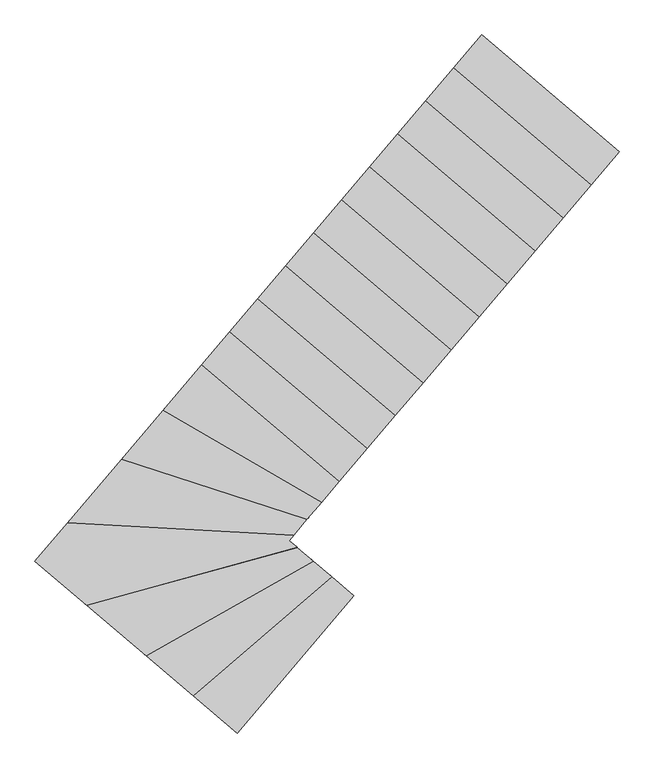
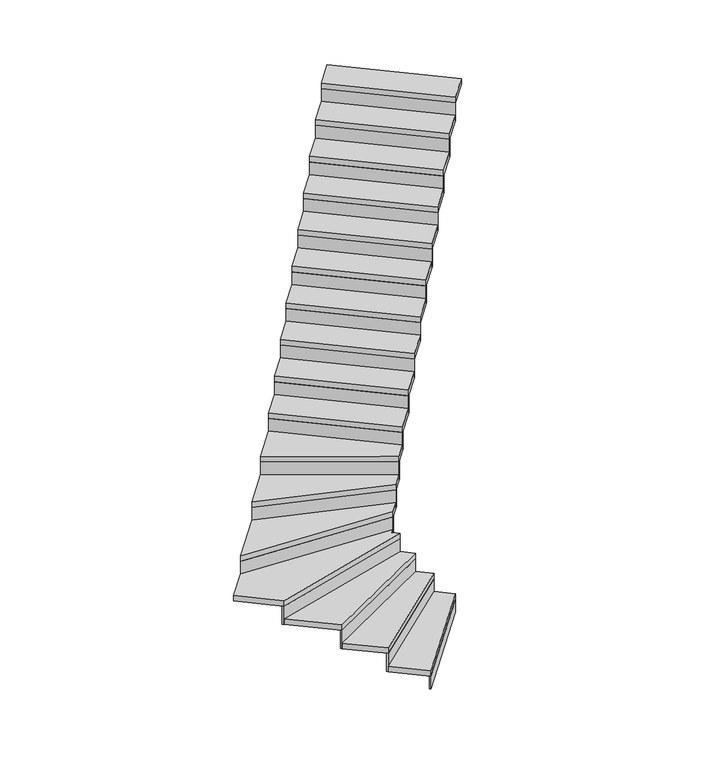
"""IFC4 building model written with IfcOpenShell, lengths in millimetres: stair flight geometry."""

from ifc_helpers import new_model, si_unit, frame, origin, place, context, project, spatial, polyline, outline, extrude, source, transform, mapped, element, save


def stair_flight_42f51d3f(model_context):
    return source(origin(), model_context, "Body", "SweptSolid", [
        extrude(outline(polyline([(12327.0603781, 10416.8361964), (12336.5907593, 10408.7478199), (11689.520642, 9646.3173227), (11679.9902607, 9654.4056991), (12327.0603781, 10416.8361964)])), frame((0.0, 0.0, 16920.0), z_axis=(0.0, 0.0, 1.0), x_axis=(1.0, 0.0, 0.0)), (0.0, 0.0, 1.0), 112.9411765),
        extrude(outline(polyline([(11446.1404066, 9852.8726454), (12214.004356, 10512.7861535), (12336.5907593, 10408.7478199), (11689.520642, 9646.3173227), (11446.1404066, 9852.8726454)])), frame((0.0, 0.0, 17032.9411765), z_axis=(0.0, 0.0, 1.0), x_axis=(1.0, 0.0, 0.0)), (0.0, 0.0, 1.0), 50.0),
        extrude(outline(polyline([(12204.3551056, 10520.9754135), (12214.004356, 10512.7861535), (11446.1404066, 9852.8726454), (11436.4911562, 9861.0619054), (12204.3551056, 10520.9754135)])), frame((0.0, 0.0, 17032.9411765), z_axis=(0.0, 0.0, 1.0), x_axis=(1.0, 0.0, 0.0)), (0.0, 0.0, 1.0), 162.9411765),
        extrude(outline(polyline([(11183.8096146, 10075.5111902), (12110.3356835, 10600.7691241), (12214.004356, 10512.7861535), (11446.1404066, 9852.8726454), (11183.8096146, 10075.5111902)])), frame((0.0, 0.0, 17195.8823529), z_axis=(0.0, 0.0, 1.0), x_axis=(1.0, 0.0, 0.0)), (0.0, 0.0, 1.0), 50.0),
        extrude(outline(polyline([(12100.1852841, 10609.3837063), (12110.3356835, 10600.7691241), (11183.8096146, 10075.5111902), (11173.6592152, 10084.1257723), (12100.1852841, 10609.3837063)])), frame((0.0, 0.0, 17195.8823529), z_axis=(0.0, 0.0, 1.0), x_axis=(1.0, 0.0, 0.0)), (0.0, 0.0, 1.0), 162.9411765),
        extrude(outline(polyline([(10854.5352002, 10354.9643793), (12022.0354759, 10675.7089723), (12110.3356835, 10600.7691241), (11183.8096146, 10075.5111902), (10854.5352002, 10354.9643793)])), frame((0.0, 0.0, 17358.8235294), z_axis=(0.0, 0.0, 1.0), x_axis=(1.0, 0.0, 0.0)), (0.0, 0.0, 1.0), 50.0),
        extrude(outline(polyline([(12010.4964943, 10685.5020357), (12022.0354759, 10675.7089723), (10854.5352002, 10354.9643793), (10842.9962186, 10364.7574427), (12010.4964943, 10685.5020357)])), frame((0.0, 0.0, 17358.8235294), z_axis=(0.0, 0.0, 1.0), x_axis=(1.0, 0.0, 0.0)), (0.0, 0.0, 1.0), 162.9411765),
        extrude(outline(polyline([(10748.1391416, 10812.4928275), (12002.4476645, 10744.993297), (11976.4679321, 10714.3818691), (12022.0354759, 10675.7089723), (10854.5352002, 10354.9643793), (10566.9673175, 10599.0214892), (10748.1391416, 10812.4928275)])), frame((0.0, 0.0, 17521.7647059), z_axis=(0.0, 0.0, 1.0), x_axis=(1.0, 0.0, 0.0)), (0.0, 0.0, 1.0), 50.0),
        extrude(outline(polyline([(12012.6076636, 10756.9646321), (12002.4476645, 10744.993297), (10748.1391416, 10812.4928275), (10758.2991407, 10824.4641626), (12012.6076636, 10756.9646321)])), frame((0.0, 0.0, 17521.7647059), z_axis=(0.0, 0.0, 1.0), x_axis=(1.0, 0.0, 0.0)), (0.0, 0.0, 1.0), 162.9411765),
        extrude(outline(polyline([(11047.7788882, 11165.5526813), (12075.9473388, 10831.596575), (12002.4476645, 10744.993297), (10748.1391416, 10812.4928275), (11047.7788882, 11165.5526813)])), frame((0.0, 0.0, 17684.7058824), z_axis=(0.0, 0.0, 1.0), x_axis=(1.0, 0.0, 0.0)), (0.0, 0.0, 1.0), 50.0),
        extrude(outline(polyline([(12084.6912331, 10841.8993404), (12075.9473388, 10831.596575), (11047.7788882, 11165.5526813), (11056.5227824, 11175.8554467), (12084.6912331, 10841.8993404)])), frame((0.0, 0.0, 17684.7058824), z_axis=(0.0, 0.0, 1.0), x_axis=(1.0, 0.0, 0.0)), (0.0, 0.0, 1.0), 162.9411765),
        extrude(outline(polyline([(11278.2580004, 11437.1218658), (12157.4057097, 10927.5774348), (12075.9473388, 10831.596575), (11047.7788882, 11165.5526813), (11278.2580004, 11437.1218658)])), frame((0.0, 0.0, 17847.6470588), z_axis=(0.0, 0.0, 1.0), x_axis=(1.0, 0.0, 0.0)), (0.0, 0.0, 1.0), 50.0),
        extrude(outline(polyline([(12165.6246155, 10937.2616163), (12157.4057097, 10927.5774348), (11278.2580004, 11437.1218658), (11286.4769062, 11446.8060473), (12165.6246155, 10937.2616163)])), frame((0.0, 0.0, 17847.6470588), z_axis=(0.0, 0.0, 1.0), x_axis=(1.0, 0.0, 0.0)), (0.0, 0.0, 1.0), 162.9411765),
        extrude(outline(polyline([(11491.9134346, 11688.8680283), (12254.3439318, 11041.7979109), (12157.4057097, 10927.5774348), (11278.2580004, 11437.1218658), (11491.9134346, 11688.8680283)])), frame((0.0, 0.0, 18010.5882353), z_axis=(0.0, 0.0, 1.0), x_axis=(1.0, 0.0, 0.0)), (0.0, 0.0, 1.0), 50.0),
        extrude(outline(polyline([(12262.4323083, 11051.3282922), (12254.3439318, 11041.7979109), (11491.9134346, 11688.8680283), (11500.001811, 11698.3984095), (12262.4323083, 11051.3282922)])), frame((0.0, 0.0, 18010.5882353), z_axis=(0.0, 0.0, 1.0), x_axis=(1.0, 0.0, 0.0)), (0.0, 0.0, 1.0), 162.9411765),
        extrude(outline(polyline([(11647.2102627, 11871.8513477), (12409.64076, 11224.7812303), (12254.3439318, 11041.7979109), (11491.9134346, 11688.8680283), (11647.2102627, 11871.8513477)])), frame((0.0, 0.0, 18173.5294118), z_axis=(0.0, 0.0, 1.0), x_axis=(1.0, 0.0, 0.0)), (0.0, 0.0, 1.0), 50.0),
        extrude(outline(polyline([(12417.7291365, 11234.3116115), (12409.64076, 11224.7812303), (11647.2102627, 11871.8513477), (11655.2986392, 11881.3817289), (12417.7291365, 11234.3116115)])), frame((0.0, 0.0, 18173.5294118), z_axis=(0.0, 0.0, 1.0), x_axis=(1.0, 0.0, 0.0)), (0.0, 0.0, 1.0), 162.9411765),
        extrude(outline(polyline([(11802.5070909, 12054.834667), (12564.9375882, 11407.7645496), (12409.64076, 11224.7812303), (11647.2102627, 11871.8513477), (11802.5070909, 12054.834667)])), frame((0.0, 0.0, 18336.4705882), z_axis=(0.0, 0.0, 1.0), x_axis=(1.0, 0.0, 0.0)), (0.0, 0.0, 1.0), 50.0),
        extrude(outline(polyline([(12573.0259646, 11417.2949309), (12564.9375882, 11407.7645496), (11802.5070909, 12054.834667), (11810.5954674, 12064.3650482), (12573.0259646, 11417.2949309)])), frame((0.0, 0.0, 18336.4705882), z_axis=(0.0, 0.0, 1.0), x_axis=(1.0, 0.0, 0.0)), (0.0, 0.0, 1.0), 162.9411765),
        extrude(outline(polyline([(11957.8039191, 12237.8179864), (12720.2344164, 11590.747869), (12564.9375882, 11407.7645496), (11802.5070909, 12054.834667), (11957.8039191, 12237.8179864)])), frame((0.0, 0.0, 18499.4117647), z_axis=(0.0, 0.0, 1.0), x_axis=(1.0, 0.0, 0.0)), (0.0, 0.0, 1.0), 50.0),
        extrude(outline(polyline([(12728.3227928, 11600.2782502), (12720.2344164, 11590.747869), (11957.8039191, 12237.8179864), (11965.8922955, 12247.3483676), (12728.3227928, 11600.2782502)])), frame((0.0, 0.0, 18499.4117647), z_axis=(0.0, 0.0, 1.0), x_axis=(1.0, 0.0, 0.0)), (0.0, 0.0, 1.0), 162.9411765),
        extrude(outline(polyline([(12113.1007472, 12420.8013057), (12875.5312445, 11773.7311883), (12720.2344164, 11590.747869), (11957.8039191, 12237.8179864), (12113.1007472, 12420.8013057)])), frame((0.0, 0.0, 18662.3529412), z_axis=(0.0, 0.0, 1.0), x_axis=(1.0, 0.0, 0.0)), (0.0, 0.0, 1.0), 50.0),
        extrude(outline(polyline([(12883.619621, 11783.2615695), (12875.5312445, 11773.7311883), (12113.1007472, 12420.8013057), (12121.1891237, 12430.3316869), (12883.619621, 11783.2615695)])), frame((0.0, 0.0, 18662.3529412), z_axis=(0.0, 0.0, 1.0), x_axis=(1.0, 0.0, 0.0)), (0.0, 0.0, 1.0), 162.9411765),
        extrude(outline(polyline([(12268.3975754, 12603.7846251), (13030.8280727, 11956.7145077), (12875.5312445, 11773.7311883), (12113.1007472, 12420.8013057), (12268.3975754, 12603.7846251)])), frame((0.0, 0.0, 18825.2941176), z_axis=(0.0, 0.0, 1.0), x_axis=(1.0, 0.0, 0.0)), (0.0, 0.0, 1.0), 50.0),
        extrude(outline(polyline([(13038.9164492, 11966.2448889), (13030.8280727, 11956.7145077), (12268.3975754, 12603.7846251), (12276.4859519, 12613.3150063), (13038.9164492, 11966.2448889)])), frame((0.0, 0.0, 18825.2941176), z_axis=(0.0, 0.0, 1.0), x_axis=(1.0, 0.0, 0.0)), (0.0, 0.0, 1.0), 162.9411765),
        extrude(outline(polyline([(12423.6944036, 12786.7679444), (13186.1249009, 12139.697827), (13030.8280727, 11956.7145077), (12268.3975754, 12603.7846251), (12423.6944036, 12786.7679444)])), frame((0.0, 0.0, 18988.2352941), z_axis=(0.0, 0.0, 1.0), x_axis=(1.0, 0.0, 0.0)), (0.0, 0.0, 1.0), 50.0),
        extrude(outline(polyline([(13194.2132773, 12149.2282082), (13186.1249009, 12139.697827), (12423.6944036, 12786.7679444), (12431.7827801, 12796.2983256), (13194.2132773, 12149.2282082)])), frame((0.0, 0.0, 18988.2352941), z_axis=(0.0, 0.0, 1.0), x_axis=(1.0, 0.0, 0.0)), (0.0, 0.0, 1.0), 162.9411765),
        extrude(outline(polyline([(12578.9912318, 12969.7512638), (13341.421729, 12322.6811464), (13186.1249009, 12139.697827), (12423.6944036, 12786.7679444), (12578.9912318, 12969.7512638)])), frame((0.0, 0.0, 19151.1764706), z_axis=(0.0, 0.0, 1.0), x_axis=(1.0, 0.0, 0.0)), (0.0, 0.0, 1.0), 50.0),
        extrude(outline(polyline([(13349.5101055, 12332.2115276), (13341.421729, 12322.6811464), (12578.9912318, 12969.7512638), (12587.0796082, 12979.281645), (13349.5101055, 12332.2115276)])), frame((0.0, 0.0, 19151.1764706), z_axis=(0.0, 0.0, 1.0), x_axis=(1.0, 0.0, 0.0)), (0.0, 0.0, 1.0), 162.9411765),
        extrude(outline(polyline([(12734.2880599, 13152.7345831), (13496.7185572, 12505.6644657), (13341.421729, 12322.6811464), (12578.9912318, 12969.7512638), (12734.2880599, 13152.7345831)])), frame((0.0, 0.0, 19314.1176471), z_axis=(0.0, 0.0, 1.0), x_axis=(1.0, 0.0, 0.0)), (0.0, 0.0, 1.0), 50.0),
        extrude(outline(polyline([(13504.8069337, 12515.1948469), (13496.7185572, 12505.6644657), (12734.2880599, 13152.7345831), (12742.3764364, 13162.2649643), (13504.8069337, 12515.1948469)])), frame((0.0, 0.0, 19314.1176471), z_axis=(0.0, 0.0, 1.0), x_axis=(1.0, 0.0, 0.0)), (0.0, 0.0, 1.0), 162.9411765),
        extrude(outline(polyline([(12889.5848881, 13335.7179025), (13652.0153854, 12688.6477851), (13496.7185572, 12505.6644657), (12734.2880599, 13152.7345831), (12889.5848881, 13335.7179025)])), frame((0.0, 0.0, 19477.0588235), z_axis=(0.0, 0.0, 1.0), x_axis=(1.0, 0.0, 0.0)), (0.0, 0.0, 1.0), 50.0),
        extrude(outline(polyline([(13660.1037619, 12698.1781663), (13652.0153854, 12688.6477851), (12889.5848881, 13335.7179025), (12897.6732646, 13345.2482837), (13660.1037619, 12698.1781663)])), frame((0.0, 0.0, 19477.0588235), z_axis=(0.0, 0.0, 1.0), x_axis=(1.0, 0.0, 0.0)), (0.0, 0.0, 1.0), 162.9411765),
        extrude(outline(polyline([(13044.8817163, 13518.7012218), (13807.3122136, 12871.6311044), (13652.0153854, 12688.6477851), (12889.5848881, 13335.7179025), (13044.8817163, 13518.7012218)])), frame((0.0, 0.0, 19640.0), z_axis=(0.0, 0.0, 1.0), x_axis=(1.0, 0.0, 0.0)), (0.0, 0.0, 1.0), 50.0),
    ])


if __name__ == "__main__":
    model = new_model("IFC4")
    model_context = context("Model", 3, world=origin())
    ifc_project = project(units=[si_unit("LENGTHUNIT", "METRE", prefix="MILLI")], contexts=[model_context])
    site = spatial("IfcSite", under=ifc_project)
    building = spatial("IfcBuilding", under=site)
    placement = place(None, origin())
    stair_flight_shape = stair_flight_42f51d3f(model_context)
    element("IfcStairFlight", 1, at=placement, inside=building, context=model_context, shape_type="MappedRepresentation", body=[
        mapped(stair_flight_shape, transform((0.0, 0.0, 0.0), x_axis=(1.0, 0.0, 0.0), y_axis=(0.0, 1.0, 0.0), z_axis=(0.0, 0.0, 1.0))),
    ])
    save(model, "model.ifc")
